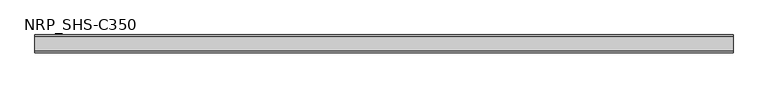
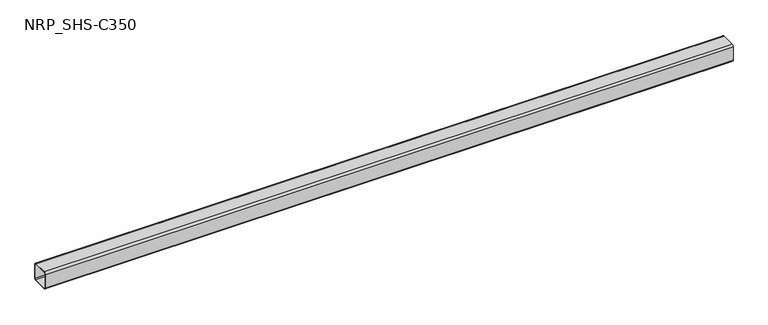
"""IFC4 building model written with IfcOpenShell, lengths in millimetres: member geometry, NRP_SHS-C350."""

from ifc_helpers import new_model, si_unit, point, frame, frame_2d, origin, place, context, project, spatial, polyline, circle_curve, trimmed, segment, composite_curve, outline, extrude, source, transform, mapped, element, save


def nrp_shs_c350_f85dcf5b(model_context):
    return source(origin(), model_context, "Body", "SweptSolid", [
        extrude(outline(composite_curve([segment(trimmed(circle_curve(frame_2d((-35.75, 35.75)), 8.75), [point((-44.5, 35.75))], [point((-35.75, 44.5))], False, "CARTESIAN"), True, "CONTINUOUS"), segment(polyline([(-35.75, 44.5), (35.75, 44.5)]), True, "CONTINUOUS"), segment(trimmed(circle_curve(frame_2d((35.75, 35.75)), 8.75), [point((35.75, 44.5))], [point((44.5, 35.75))], False, "CARTESIAN"), True, "CONTINUOUS"), segment(polyline([(44.5, 35.75), (44.5, -35.75)]), True, "CONTINUOUS"), segment(trimmed(circle_curve(frame_2d((35.75, -35.75)), 8.75), [point((44.5, -35.75))], [point((35.75, -44.5))], False, "CARTESIAN"), True, "CONTINUOUS"), segment(polyline([(35.75, -44.5), (-35.75, -44.5)]), True, "CONTINUOUS"), segment(trimmed(circle_curve(frame_2d((-35.75, -35.75)), 8.75), [point((-35.75, -44.5))], [point((-44.5, -35.75))], False, "CARTESIAN"), True, "CONTINUOUS"), segment(polyline([(-44.5, -35.75), (-44.5, 35.75)]), True, "CONTINUOUS")], self_intersect=False), holes=[composite_curve([segment(polyline([(35.75, 41.0), (-35.75, 41.0)]), True, "CONTINUOUS"), segment(trimmed(circle_curve(frame_2d((-35.75, 35.75)), 5.25), [point((-35.75, 41.0))], [point((-41.0, 35.75))], True, "CARTESIAN"), True, "CONTINUOUS"), segment(polyline([(-41.0, 35.75), (-41.0, -35.75)]), True, "CONTINUOUS"), segment(trimmed(circle_curve(frame_2d((-35.75, -35.75)), 5.25), [point((-41.0, -35.75))], [point((-35.75, -41.0))], True, "CARTESIAN"), True, "CONTINUOUS"), segment(polyline([(-35.75, -41.0), (35.75, -41.0)]), True, "CONTINUOUS"), segment(trimmed(circle_curve(frame_2d((35.75, -35.75)), 5.25), [point((35.75, -41.0))], [point((41.0, -35.75))], True, "CARTESIAN"), True, "CONTINUOUS"), segment(polyline([(41.0, -35.75), (41.0, 35.75)]), True, "CONTINUOUS"), segment(trimmed(circle_curve(frame_2d((35.75, 35.75)), 5.25), [point((41.0, 35.75))], [point((35.75, 41.0))], True, "CARTESIAN"), True, "CONTINUOUS")], self_intersect=False)]), frame((-1727.0, 0.0, 0.0), z_axis=(1.0, 0.0, 0.0), x_axis=(0.0, 1.0, 0.0)), (0.0, 0.0, 1.0), 3454.0),
    ])


if __name__ == "__main__":
    model = new_model("IFC4")
    model_context = context("Model", 3, world=origin())
    ifc_project = project(units=[si_unit("LENGTHUNIT", "METRE", prefix="MILLI")], contexts=[model_context])
    site = spatial("IfcSite", under=ifc_project)
    building = spatial("IfcBuilding", under=site)
    placement = place(None, origin())
    nrp_shs_c350_shape = nrp_shs_c350_f85dcf5b(model_context)
    element("IfcMember", 1, ObjectType="NRP_SHS-C350", at=placement, inside=building, context=model_context, shape_type="MappedRepresentation", body=[
        mapped(nrp_shs_c350_shape, transform((0.0, 0.0, 0.0), x_axis=(1.0, 0.0, 0.0), y_axis=(0.0, 1.0, 0.0), z_axis=(0.0, 0.0, 1.0))),
    ])
    save(model, "model.ifc")
